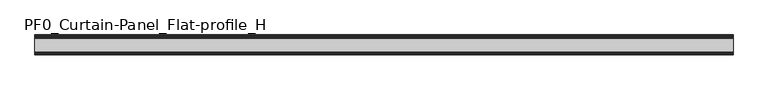
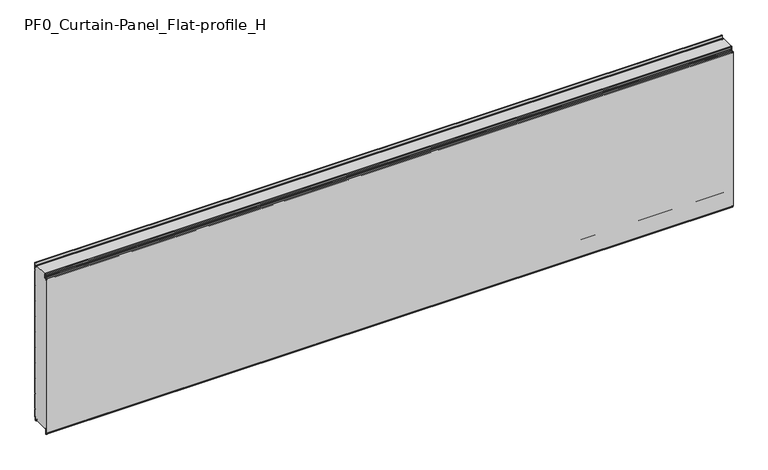
"""IFC4 building model written with IfcOpenShell, lengths in millimetres: plate geometry, PF0_Curtain-Panel_Flat-profile_H."""

import ifcopenshell
import ifcopenshell.guid

model = None  # the IFC model being written
_history = None  # IfcOwnerHistory: only IFC2X3 demands one
_inside = {}  # id of a spatial element -> (the spatial element, [elements in it])
_under = {}  # id of a project, library or spatial element -> (it, [spatial elements below it])
_declared = {}  # id of a project -> (the project, [libraries it declares])
_typed = {}  # id of a type object -> (the type object, [elements of that type])
_made_of = {}  # id of a material, layer set ... -> (it, [elements and type objects made of it])


def new_model(schema):
    """Start an empty IFC model of exactly this schema.

    Asked for "IFC4X3", IfcOpenShell would pick the latest addendum, in which some entities
    have other attributes; the version numbers below select the first issue.
    IFC2X3 requires an IfcOwnerHistory on every rooted entity: one is made here for all.
    """
    global model, _history
    if schema == "IFC4X3":
        model = ifcopenshell.file(schema_version=(4, 3, 0, 0))
    else:
        model = ifcopenshell.file(schema=schema)
    _inside.clear()
    _under.clear()
    _declared.clear()
    _typed.clear()
    _made_of.clear()
    _history = None
    if model.schema == "IFC2X3":
        org = make("IfcOrganization", Name="unknown")
        user = make(
            "IfcPersonAndOrganization",
            ThePerson=make("IfcPerson", FamilyName="unknown"),
            TheOrganization=org,
        )
        app = make(
            "IfcApplication",
            ApplicationDeveloper=org,
            Version="unknown",
            ApplicationFullName="unknown",
            ApplicationIdentifier="unknown",
        )
        _history = make(
            "IfcOwnerHistory",
            OwningUser=user,
            OwningApplication=app,
            ChangeAction="ADDED",
            CreationDate=0,
        )
    return model


def make(cls, **values):
    """One entity of the class cls with the attributes given. An attribute that is None is left unset."""
    return model.create_entity(
        cls, **{name: value for name, value in values.items() if value is not None}
    )


def rooted(cls, **values):
    """An entity with a GlobalId (a new one), such as an element, a storey or a relation."""
    return make(cls, GlobalId=ifcopenshell.guid.new(), OwnerHistory=_history, **values)


def si_unit(unit_type, name, prefix=None):
    """IfcSIUnit, for example si_unit("LENGTHUNIT", "METRE", prefix="MILLI")."""
    return make("IfcSIUnit", UnitType=unit_type, Prefix=prefix, Name=name)


def assignment(units):
    """IfcUnitAssignment: the units of a project."""
    return None if units is None else make("IfcUnitAssignment", Units=units)


def point(xyz):
    """IfcCartesianPoint."""
    return None if xyz is None else make("IfcCartesianPoint", Coordinates=xyz)


def direction(xyz):
    """IfcDirection."""
    return None if xyz is None else make("IfcDirection", DirectionRatios=xyz)


def frame(location, z_axis=None, x_axis=None):
    """IfcAxis2Placement3D, a coordinate frame: its origin and axes. An axis left out is left unset."""
    return make(
        "IfcAxis2Placement3D",
        Location=point(location),
        Axis=direction(z_axis),
        RefDirection=direction(x_axis),
    )


def frame_2d(location, x_axis=None):
    """IfcAxis2Placement2D, a coordinate frame in the plane: its origin and x axis."""
    return make(
        "IfcAxis2Placement2D", Location=point(location), RefDirection=direction(x_axis)
    )


def origin():
    """The frame at (0, 0, 0) with its axes left unset."""
    return frame((0.0, 0.0, 0.0))


def place(relative_to, where):
    """IfcLocalPlacement: puts the frame where relative to a parent placement (None: the world)."""
    return make(
        "IfcLocalPlacement", PlacementRelTo=relative_to, RelativePlacement=where
    )


def context(
    kind, dimensions, precision=None, world=None, true_north=None, identifier=None
):
    """IfcGeometricRepresentationContext, for example the 3D "Model" context."""
    return make(
        "IfcGeometricRepresentationContext",
        ContextIdentifier=identifier,
        ContextType=kind,
        CoordinateSpaceDimension=dimensions,
        Precision=precision,
        WorldCoordinateSystem=world,
        TrueNorth=true_north,
    )


def project(units=None, contexts=None):
    """IfcProject with its units and contexts."""
    return rooted(
        "IfcProject",
        Name="project",
        RepresentationContexts=contexts,
        UnitsInContext=assignment(units),
    )


def spatial(cls, under=None, at=None, **own):
    """A site, building, storey or space (cls), placed at a placement, below another one or the project."""
    s = rooted(cls, ObjectPlacement=at, **own)
    if under is not None:
        _under.setdefault(under.id(), (under, []))[1].append(s)
    return s


def polyline(points):
    """IfcPolyline through the points."""
    return make("IfcPolyline", Points=[point(p) for p in points])


def circle_curve(where, radius):
    """IfcCircle in the frame where."""
    return make("IfcCircle", Position=where, Radius=radius)


def trimmed(basis, trim1, trim2, sense, master):
    """IfcTrimmedCurve: the piece of a basis curve between two trims."""
    return make(
        "IfcTrimmedCurve",
        BasisCurve=basis,
        Trim1=trim1,
        Trim2=trim2,
        SenseAgreement=sense,
        MasterRepresentation=master,
    )


def segment(curve, same_sense, transition):
    """IfcCompositeCurveSegment."""
    return make(
        "IfcCompositeCurveSegment",
        Transition=transition,
        SameSense=same_sense,
        ParentCurve=curve,
    )


def composite_curve(segments, self_intersect=None):
    """IfcCompositeCurve: segments joined end to end."""
    return make("IfcCompositeCurve", Segments=segments, SelfIntersect=self_intersect)


def outline(outer, holes=None, kind="AREA"):
    """IfcArbitraryClosedProfileDef: a profile drawn as a closed curve; with holes, ...WithVoids."""
    if holes is None:
        return make("IfcArbitraryClosedProfileDef", ProfileType=kind, OuterCurve=outer)
    return make(
        "IfcArbitraryProfileDefWithVoids",
        ProfileType=kind,
        OuterCurve=outer,
        InnerCurves=holes,
    )


def extrude(swept, where, along, depth):
    """IfcExtrudedAreaSolid: the profile swept, set in the frame where, extruded along a direction by depth."""
    return make(
        "IfcExtrudedAreaSolid",
        SweptArea=swept,
        Position=where,
        ExtrudedDirection=direction(along),
        Depth=depth,
    )


def shape(context_of_items, identifier, shape_type, items):
    """IfcShapeRepresentation: the items that make up one representation, for example the "Body"."""
    return make(
        "IfcShapeRepresentation",
        ContextOfItems=context_of_items,
        RepresentationIdentifier=identifier,
        RepresentationType=shape_type,
        Items=items,
    )


def source(mapping_origin, context_of_items, identifier, shape_type, items):
    """IfcRepresentationMap: a shape defined once, which mapped items show again and again."""
    return make(
        "IfcRepresentationMap",
        MappingOrigin=mapping_origin,
        MappedRepresentation=shape(context_of_items, identifier, shape_type, items),
    )


def transform(
    local_origin,
    x_axis=None,
    y_axis=None,
    z_axis=None,
    scale=None,
    scale2=None,
    scale3=None,
    uniform=True,
):
    """IfcCartesianTransformationOperator3D, or its non-uniform kind. x_axis, y_axis, z_axis: its Axis1, 2, 3."""
    if uniform:
        return make(
            "IfcCartesianTransformationOperator3D",
            Axis1=direction(x_axis),
            Axis2=direction(y_axis),
            LocalOrigin=point(local_origin),
            Scale=scale,
            Axis3=direction(z_axis),
        )
    return make(
        "IfcCartesianTransformationOperator3DnonUniform",
        Axis1=direction(x_axis),
        Axis2=direction(y_axis),
        LocalOrigin=point(local_origin),
        Scale=scale,
        Axis3=direction(z_axis),
        Scale2=scale2,
        Scale3=scale3,
    )


def mapped(mapping_source, mapping_target):
    """IfcMappedItem: shows the shape of a source again, moved by a transform."""
    return make(
        "IfcMappedItem", MappingSource=mapping_source, MappingTarget=mapping_target
    )


def made_of(thing, what):
    """Note that an element or type object is made of a material, layer set ...; save() writes the relation."""
    if what is not None:
        _made_of.setdefault(what.id(), (what, []))[1].append(thing)
    return thing


def element(
    cls,
    number,
    at=None,
    inside=None,
    cuts=None,
    type_object=None,
    material=None,
    context=None,
    identifier="Body",
    shape_type=None,
    held_by="IfcProductDefinitionShape",
    body=None,
    shapes=None,
    **own,
):
    """One element of the class cls, such as IfcWall. Its Tag is "e" and its number.

    at: its placement. inside: the storey or other place that contains it. cuts: it is an
    opening in that element (IfcRelVoidsElement). A single representation is given by context,
    identifier, shape_type and body (its items); several are given by shapes. held_by: the class
    of the entity that holds the representations. save() writes the other relations.
    """
    e = rooted(cls, Tag="e%d" % number, ObjectPlacement=at, **own)
    if body is not None:
        shapes = [shape(context, identifier, shape_type, body)]
    if shapes is not None:
        e.Representation = make(held_by, Representations=shapes)
    if inside is not None:
        _inside.setdefault(inside.id(), (inside, []))[1].append(e)
    if cuts is not None:
        rooted(
            "IfcRelVoidsElement", RelatingBuildingElement=cuts, RelatedOpeningElement=e
        )
    if type_object is not None:
        _typed.setdefault(type_object.id(), (type_object, []))[1].append(e)
    return made_of(e, material)


def aggregate(whole, parts):
    """IfcRelAggregates: a whole, such as a stair, and the parts it consists of."""
    return rooted("IfcRelAggregates", RelatingObject=whole, RelatedObjects=parts)


def save(model, path):
    """Write the relations noted so far, then the file.

    IfcRelAggregates (storeys below a building ...), IfcRelContainedInSpatialStructure (elements
    in a storey), IfcRelDefinesByType, IfcRelAssociatesMaterial and IfcRelDeclares: one each for
    every whole, place, type object, material and project.
    """
    for whole, parts in _under.values():
        aggregate(whole, parts)
    for where, things in _inside.values():
        rooted(
            "IfcRelContainedInSpatialStructure",
            RelatedElements=things,
            RelatingStructure=where,
        )
    for kind, things in _typed.values():
        rooted("IfcRelDefinesByType", RelatedObjects=things, RelatingType=kind)
    for what, things in _made_of.values():
        rooted("IfcRelAssociatesMaterial", RelatedObjects=things, RelatingMaterial=what)
    for by, libraries in _declared.values():
        rooted("IfcRelDeclares", RelatingContext=by, RelatedDefinitions=libraries)
    model.write(path)


def plane_surface(at):
    """IfcPlane: the flat surface through the origin of the frame at, square to its z axis."""
    return make("IfcPlane", Position=at)


def cylinder_surface(at, radius):
    """IfcCylindricalSurface: all points at the distance radius from the z axis of the frame at."""
    return make("IfcCylindricalSurface", Position=at, Radius=radius)


def revolved_surface(curve, axis_point, axis_direction):
    """IfcSurfaceOfRevolution: the curve turned about the line through axis_point along axis_direction."""
    return make(
        "IfcSurfaceOfRevolution",
        SweptCurve=make("IfcArbitraryOpenProfileDef", ProfileType="CURVE", Curve=curve),
        AxisPosition=make("IfcAxis1Placement", Location=point(axis_point), Axis=direction(axis_direction)),
    )


def advanced_brep(points, edges, surfaces, faces):
    """IfcAdvancedBrep: a solid bounded by faces that lie on surfaces and meet in shared edges.

    An edge is (start, end): straight between two places in points (the first is 0);
    or (start, end, curve); or (start, end, curve, False) where it runs against its curve.
    A face is (place in surfaces, loops), or (place, loops, False) where it looks against
    its surface's normal. A loop lists edges by number (the first is 1), with a minus sign
    where the edge is run from its end to its start. The first loop is the outer one.
    """
    corners = [point(p) for p in points]
    vertices = [make("IfcVertexPoint", VertexGeometry=c) for c in corners]
    made = []
    for start, end, *more in edges:
        made.append(
            make(
                "IfcEdgeCurve",
                EdgeStart=vertices[start],
                EdgeEnd=vertices[end],
                EdgeGeometry=more[0] if more else make("IfcPolyline", Points=[corners[start], corners[end]]),
                SameSense=more[1] if len(more) > 1 else True,
            )
        )
    hull = []
    for where, loops, *sense in faces:
        bounds = []
        for j, loop in enumerate(loops):
            ring = [make("IfcOrientedEdge", EdgeElement=made[abs(k) - 1], Orientation=k > 0) for k in loop]
            bounds.append(
                make(
                    "IfcFaceOuterBound" if j == 0 else "IfcFaceBound",
                    Bound=make("IfcEdgeLoop", EdgeList=ring),
                    Orientation=True,
                )
            )
        hull.append(make("IfcAdvancedFace", Bounds=bounds, FaceSurface=surfaces[where], SameSense=sense[0] if sense else True))
    return make("IfcAdvancedBrep", Outer=make("IfcClosedShell", CfsFaces=hull))


def pf0_curtain_panel_flat_profile_h_4944bc68(model_context):
    return source(origin(), model_context, "Body", "SolidModel", [
        advanced_brep(
        [(-2100.0, -15.878557, 0.0), (-2100.0, -20.0, 0.0), (-2100.0, -20.0, 0.8), (-2100.0, -15.878557, 0.8), (-2100.0, -13.1503208, -1.370137), (-2100.0, -11.728236, -7.529863), (-2100.0, -6.2, -6.9), (-2100.0, -6.2, 8.6), (-2100.0, -3.4, 11.4), (-2100.0, -2.0, 11.4), (-2100.0, -0.8, 12.6), (-2100.0, -0.8, 57.6856412), (-2100.0, -2.482606, 60.6), (-2100.0, -0.8, 63.5143588), (-2100.0, -0.8, 157.6856412), (-2100.0, -2.482606, 160.6), (-2100.0, -0.8, 163.5143588), (-2100.0, -0.8, 257.6856412), (-2100.0, -2.482606, 260.6), (-2100.0, -0.8, 263.5143588), (-2100.0, -0.8, 357.6856412), (-2100.0, -2.482606, 360.6), (-2100.0, -0.8, 363.5143588), (-2100.0, -0.8, 457.6856412), (-2100.0, -2.482606, 460.6), (-2100.0, -0.8, 463.5143588), (-2100.0, -0.8, 557.6856412), (-2100.0, -2.482606, 560.6), (-2100.0, -0.8, 563.5143588), (-2100.0, -0.8, 657.6856412), (-2100.0, -2.482606, 660.6), (-2100.0, -0.8, 663.5143588), (-2100.0, -0.8, 757.6856412), (-2100.0, -2.482606, 760.6), (-2100.0, -0.8, 763.5143588), (-2100.0, -0.8, 857.6856412), (-2100.0, -2.482606, 860.6), (-2100.0, -0.8, 863.5143588), (-2100.0, -0.8, 957.6856412), (-2100.0, -2.482606, 960.6), (-2100.0, -0.8, 963.5143588), (-2100.0, -0.8, 1008.1), (-2100.0, -4.2, 1008.1), (-2100.0, -4.2, 991.1), (-2100.0, -13.7270771, 990.2664884), (-2100.0, -14.8636953, 996.7125669), (-2100.0, -16.6363492, 998.2), (-2100.0, -20.0, 998.2), (-2100.0, -20.0, 999.0), (-2100.0, -16.6363492, 999.0), (-2100.0, -14.0758491, 996.8514855), (-2100.0, -12.939231, 990.405407), (-2100.0, -5.0, 991.1), (-2100.0, -5.0, 1008.1), (-2100.0, -2.5, 1010.6), (-2100.0, 0.0, 1008.1), (-2100.0, 0.0, 963.2999995), (-2100.0, -1.5588455, 960.6), (-2100.0, 0.0, 957.9000005), (-2100.0, 0.0, 863.2999995), (-2100.0, -1.5588455, 860.6), (-2100.0, 0.0, 857.9000005), (-2100.0, 0.0, 763.2999995), (-2100.0, -1.5588455, 760.6), (-2100.0, 0.0, 757.9000005), (-2100.0, 0.0, 663.2999995), (-2100.0, -1.5588455, 660.6), (-2100.0, 0.0, 657.9000005), (-2100.0, 0.0, 563.2999995), (-2100.0, -1.5588455, 560.6), (-2100.0, 0.0, 557.9000005), (-2100.0, 0.0, 463.2999995), (-2100.0, -1.5588455, 460.6), (-2100.0, 0.0, 457.9000005), (-2100.0, 0.0, 363.2999995), (-2100.0, -1.5588455, 360.6), (-2100.0, 0.0, 357.9000005), (-2100.0, 0.0, 263.2999995), (-2100.0, -1.5588455, 260.6), (-2100.0, 0.0, 257.9000005), (-2100.0, 0.0, 163.2999995), (-2100.0, -1.5588455, 160.6), (-2100.0, 0.0, 157.9000005), (-2100.0, 0.0, 63.2999995), (-2100.0, -1.5588455, 60.6), (-2100.0, 0.0, 57.9000005), (-2100.0, 0.0, 12.6), (-2100.0, -2.0, 10.6), (-2100.0, -3.4, 10.6), (-2100.0, -5.4, 8.6), (-2100.0, -5.4, -6.9), (-2100.0, -12.5077322, -7.7098239), (-2100.0, -13.929817, -1.5500979), (2100.0, -15.878557, 0.0), (2100.0, -13.9298169, -1.5500978), (2100.0, -12.507732, -7.7098239), (2100.0, -5.4, -6.9), (2100.0, -5.4, 8.6), (2100.0, -3.4, 10.6), (2100.0, -2.0, 10.6), (2100.0, 0.0, 12.6), (2100.0, 0.0, 57.9000005), (2100.0, -1.5588455, 60.6), (2100.0, 0.0, 63.2999995), (2100.0, 0.0, 157.9000005), (2100.0, -1.5588455, 160.6), (2100.0, 0.0, 163.2999995), (2100.0, 0.0, 257.9000005), (2100.0, -1.5588455, 260.6), (2100.0, 0.0, 263.2999995), (2100.0, 0.0, 357.9000005), (2100.0, -1.5588455, 360.6), (2100.0, 0.0, 363.2999995), (2100.0, 0.0, 457.9000005), (2100.0, -1.5588455, 460.6), (2100.0, 0.0, 463.2999995), (2100.0, 0.0, 557.9000005), (2100.0, -1.5588455, 560.6), (2100.0, 0.0, 563.2999995), (2100.0, 0.0, 657.9000005), (2100.0, -1.5588455, 660.6), (2100.0, 0.0, 663.2999995), (2100.0, 0.0, 757.9000005), (2100.0, -1.5588455, 760.6), (2100.0, 0.0, 763.2999995), (2100.0, 0.0, 857.9000005), (2100.0, -1.5588455, 860.6), (2100.0, 0.0, 863.2999995), (2100.0, 0.0, 957.9000005), (2100.0, -1.5588455, 960.6), (2100.0, 0.0, 963.2999995), (2100.0, 0.0, 1008.1), (2100.0, -2.5, 1010.6), (2100.0, -5.0, 1008.1), (2100.0, -5.0, 991.1), (2100.0, -12.939231, 990.405407), (2100.0, -14.0758491, 996.8514855), (2100.0, -16.6363492, 999.0), (2100.0, -20.0, 999.0), (2100.0, -20.0, 998.2), (2100.0, -16.6363492, 998.2), (2100.0, -14.8636953, 996.7125669), (2100.0, -13.7270772, 990.2664884), (2100.0, -4.2, 991.1), (2100.0, -4.2, 1008.1), (2100.0, -0.8, 1008.1), (2100.0, -0.8, 963.5143588), (2100.0, -2.482606, 960.6), (2100.0, -0.8, 957.6856412), (2100.0, -0.8, 863.5143588), (2100.0, -2.482606, 860.6), (2100.0, -0.8, 857.6856412), (2100.0, -0.8, 763.5143588), (2100.0, -2.482606, 760.6), (2100.0, -0.8, 757.6856412), (2100.0, -0.8, 663.5143588), (2100.0, -2.482606, 660.6), (2100.0, -0.8, 657.6856412), (2100.0, -0.8, 563.5143588), (2100.0, -2.482606, 560.6), (2100.0, -0.8, 557.6856412), (2100.0, -0.8, 463.5143588), (2100.0, -2.482606, 460.6), (2100.0, -0.8, 457.6856412), (2100.0, -0.8, 363.5143588), (2100.0, -2.482606, 360.6), (2100.0, -0.8, 357.6856412), (2100.0, -0.8, 263.5143588), (2100.0, -2.482606, 260.6), (2100.0, -0.8, 257.6856412), (2100.0, -0.8, 163.5143588), (2100.0, -2.482606, 160.6), (2100.0, -0.8, 157.6856412), (2100.0, -0.8, 63.5143588), (2100.0, -2.482606, 60.6), (2100.0, -0.8, 57.6856412), (2100.0, -0.8, 12.6), (2100.0, -2.0, 11.4), (2100.0, -3.4, 11.4), (2100.0, -6.2, 8.6), (2100.0, -6.2, -6.9), (2100.0, -11.7282362, -7.529863), (2100.0, -13.150321, -1.370137), (2100.0, -15.878557, 0.8), (2100.0, -20.0, 0.8), (2100.0, -20.0, 0.0)],
        [
            (0, 1),
            (1, 2),
            (2, 3),
            (3, 4, circle_curve(frame((-2100.0, -15.878557, -2.0), z_axis=(-1.0, 0.0, 0.0), x_axis=(0.0, 0.0, 1.0)), 2.8)),
            (4, 5),
            (5, 6, circle_curve(frame((-2100.0, -9.0, -6.9), z_axis=(1.0, 0.0, 0.0), x_axis=(0.0, 0.0, 1.0)), 2.8)),
            (6, 7),
            (7, 8, circle_curve(frame((-2100.0, -3.4, 8.6), z_axis=(-1.0, 0.0, 0.0), x_axis=(0.0, 0.0, 1.0)), 2.8)),
            (8, 9),
            (9, 10, circle_curve(frame((-2100.0, -2.0, 12.6), z_axis=(1.0, 0.0, 0.0), x_axis=(0.0, 0.0, 1.0)), 1.2)),
            (10, 11),
            (11, 12),
            (12, 13),
            (13, 14),
            (14, 15),
            (15, 16),
            (16, 17),
            (17, 18),
            (18, 19),
            (19, 20),
            (20, 21),
            (21, 22),
            (22, 23),
            (23, 24),
            (24, 25),
            (25, 26),
            (26, 27),
            (27, 28),
            (28, 29),
            (29, 30),
            (30, 31),
            (31, 32),
            (32, 33),
            (33, 34),
            (34, 35),
            (35, 36),
            (36, 37),
            (37, 38),
            (38, 39),
            (39, 40),
            (40, 41),
            (41, 42, circle_curve(frame((-2100.0, -2.5, 1008.1), z_axis=(1.0, 0.0, 0.0), x_axis=(0.0, 0.0, 1.0)), 1.7)),
            (42, 43),
            (43, 44, circle_curve(frame((-2100.0, -9.0, 991.1), z_axis=(-1.0, 0.0, 0.0), x_axis=(0.0, 0.0, 1.0)), 4.8)),
            (44, 45),
            (45, 46, circle_curve(frame((-2100.0, -16.6363492, 996.4), z_axis=(1.0, 0.0, 0.0), x_axis=(0.0, 0.0, 1.0)), 1.8)),
            (46, 47),
            (47, 48),
            (48, 49),
            (49, 50, circle_curve(frame((-2100.0, -16.6363492, 996.4), z_axis=(-1.0, 0.0, 0.0), x_axis=(0.0, 0.0, 1.0)), 2.6)),
            (50, 51),
            (51, 52, circle_curve(frame((-2100.0, -9.0, 991.1), z_axis=(1.0, 0.0, 0.0), x_axis=(0.0, 0.0, 1.0)), 4.0)),
            (52, 53),
            (53, 54, circle_curve(frame((-2100.0, -2.5, 1008.1), z_axis=(-1.0, 0.0, 0.0), x_axis=(0.0, 0.0, 1.0)), 2.5)),
            (54, 55, circle_curve(frame((-2100.0, -2.5, 1008.1), z_axis=(-1.0, 0.0, 0.0), x_axis=(0.0, 0.0, 1.0)), 2.5)),
            (55, 56),
            (56, 57),
            (57, 58),
            (58, 59),
            (59, 60),
            (60, 61),
            (61, 62),
            (62, 63),
            (63, 64),
            (64, 65),
            (65, 66),
            (66, 67),
            (67, 68),
            (68, 69),
            (69, 70),
            (70, 71),
            (71, 72),
            (72, 73),
            (73, 74),
            (74, 75),
            (75, 76),
            (76, 77),
            (77, 78),
            (78, 79),
            (79, 80),
            (80, 81),
            (81, 82),
            (82, 83),
            (83, 84),
            (84, 85),
            (85, 86),
            (86, 87, circle_curve(frame((-2100.0, -2.0, 12.6), z_axis=(-1.0, 0.0, 0.0), x_axis=(0.0, 0.0, 1.0)), 2.0)),
            (87, 88),
            (88, 89, circle_curve(frame((-2100.0, -3.4, 8.6), z_axis=(1.0, 0.0, 0.0), x_axis=(0.0, 0.0, 1.0)), 2.0)),
            (89, 90),
            (90, 91, circle_curve(frame((-2100.0, -9.0, -6.9), z_axis=(-1.0, 0.0, 0.0), x_axis=(0.0, 0.0, 1.0)), 3.6)),
            (91, 92),
            (92, 0, circle_curve(frame((-2100.0, -15.878557, -2.0), z_axis=(1.0, 0.0, 0.0), x_axis=(0.0, 0.0, 1.0)), 2.0)),
            (93, 94, circle_curve(frame((2100.0, -15.878557, -2.0), z_axis=(-1.0, 0.0, 0.0), x_axis=(0.0, 0.0, 1.0)), 2.0)),
            (94, 95),
            (95, 96, circle_curve(frame((2100.0, -9.0, -6.9), z_axis=(1.0, 0.0, 0.0), x_axis=(0.0, 0.0, 1.0)), 3.6)),
            (96, 97),
            (97, 98, circle_curve(frame((2100.0, -3.4, 8.6), z_axis=(-1.0, 0.0, 0.0), x_axis=(0.0, 0.0, 1.0)), 2.0)),
            (98, 99),
            (99, 100, circle_curve(frame((2100.0, -2.0, 12.6), z_axis=(1.0, 0.0, 0.0), x_axis=(0.0, 0.0, 1.0)), 2.0)),
            (100, 101),
            (101, 102),
            (102, 103),
            (103, 104),
            (104, 105),
            (105, 106),
            (106, 107),
            (107, 108),
            (108, 109),
            (109, 110),
            (110, 111),
            (111, 112),
            (112, 113),
            (113, 114),
            (114, 115),
            (115, 116),
            (116, 117),
            (117, 118),
            (118, 119),
            (119, 120),
            (120, 121),
            (121, 122),
            (122, 123),
            (123, 124),
            (124, 125),
            (125, 126),
            (126, 127),
            (127, 128),
            (128, 129),
            (129, 130),
            (130, 131),
            (131, 132, circle_curve(frame((2100.0, -2.5, 1008.1), z_axis=(1.0, 0.0, 0.0), x_axis=(0.0, 0.0, 1.0)), 2.5)),
            (132, 133, circle_curve(frame((2100.0, -2.5, 1008.1), z_axis=(1.0, 0.0, 0.0), x_axis=(0.0, 0.0, 1.0)), 2.5)),
            (133, 134),
            (134, 135, circle_curve(frame((2100.0, -9.0, 991.1), z_axis=(-1.0, 0.0, 0.0), x_axis=(0.0, 0.0, 1.0)), 4.0)),
            (135, 136),
            (136, 137, circle_curve(frame((2100.0, -16.6363492, 996.4), z_axis=(1.0, 0.0, 0.0), x_axis=(0.0, 0.0, 1.0)), 2.6)),
            (137, 138),
            (138, 139),
            (139, 140),
            (140, 141, circle_curve(frame((2100.0, -16.6363492, 996.4), z_axis=(-1.0, 0.0, 0.0), x_axis=(0.0, 0.0, 1.0)), 1.8)),
            (141, 142),
            (142, 143, circle_curve(frame((2100.0, -9.0, 991.1), z_axis=(1.0, 0.0, 0.0), x_axis=(0.0, 0.0, 1.0)), 4.8)),
            (143, 144),
            (144, 145, circle_curve(frame((2100.0, -2.5, 1008.1), z_axis=(-1.0, 0.0, 0.0), x_axis=(0.0, 0.0, 1.0)), 1.7)),
            (145, 146),
            (146, 147),
            (147, 148),
            (148, 149),
            (149, 150),
            (150, 151),
            (151, 152),
            (152, 153),
            (153, 154),
            (154, 155),
            (155, 156),
            (156, 157),
            (157, 158),
            (158, 159),
            (159, 160),
            (160, 161),
            (161, 162),
            (162, 163),
            (163, 164),
            (164, 165),
            (165, 166),
            (166, 167),
            (167, 168),
            (168, 169),
            (169, 170),
            (170, 171),
            (171, 172),
            (172, 173),
            (173, 174),
            (174, 175),
            (175, 176),
            (176, 177, circle_curve(frame((2100.0, -2.0, 12.6), z_axis=(-1.0, 0.0, 0.0), x_axis=(0.0, 0.0, 1.0)), 1.2)),
            (177, 178),
            (178, 179, circle_curve(frame((2100.0, -3.4, 8.6), z_axis=(1.0, 0.0, 0.0), x_axis=(0.0, 0.0, 1.0)), 2.8)),
            (179, 180),
            (180, 181, circle_curve(frame((2100.0, -9.0, -6.9), z_axis=(-1.0, 0.0, 0.0), x_axis=(0.0, 0.0, 1.0)), 2.8)),
            (181, 182),
            (182, 183, circle_curve(frame((2100.0, -15.878557, -2.0), z_axis=(1.0, 0.0, 0.0), x_axis=(0.0, 0.0, 1.0)), 2.8)),
            (183, 184),
            (184, 185),
            (185, 93),
            (0, 93),
            (185, 1),
            (184, 2),
            (183, 3),
            (182, 4),
            (181, 5),
            (180, 6),
            (179, 7),
            (178, 8),
            (177, 9),
            (176, 10),
            (175, 11),
            (174, 12),
            (173, 13),
            (172, 14),
            (171, 15),
            (170, 16),
            (169, 17),
            (168, 18),
            (167, 19),
            (166, 20),
            (165, 21),
            (164, 22),
            (163, 23),
            (162, 24),
            (161, 25),
            (160, 26),
            (159, 27),
            (158, 28),
            (157, 29),
            (156, 30),
            (155, 31),
            (154, 32),
            (153, 33),
            (152, 34),
            (151, 35),
            (150, 36),
            (149, 37),
            (148, 38),
            (147, 39),
            (146, 40),
            (145, 41),
            (144, 42),
            (143, 43),
            (142, 44),
            (141, 45),
            (140, 46),
            (139, 47),
            (138, 48),
            (137, 49),
            (136, 50),
            (135, 51),
            (134, 52),
            (133, 53),
            (131, 55),
            (130, 56),
            (129, 57),
            (128, 58),
            (127, 59),
            (126, 60),
            (125, 61),
            (124, 62),
            (123, 63),
            (122, 64),
            (121, 65),
            (120, 66),
            (119, 67),
            (118, 68),
            (117, 69),
            (116, 70),
            (115, 71),
            (114, 72),
            (113, 73),
            (112, 74),
            (111, 75),
            (110, 76),
            (109, 77),
            (108, 78),
            (107, 79),
            (106, 80),
            (105, 81),
            (104, 82),
            (103, 83),
            (102, 84),
            (101, 85),
            (100, 86),
            (99, 87),
            (98, 88),
            (97, 89),
            (96, 90),
            (95, 91),
            (94, 92),
        ],
        [
            plane_surface(frame((-2100.0, 0.0, 0.0), z_axis=(-1.0, 0.0, 0.0), x_axis=(0.0, 1.0, 0.0))),
            plane_surface(frame((2100.0, 0.0, 0.0), z_axis=(1.0, 0.0, 0.0), x_axis=(0.0, 1.0, 0.0))),
            plane_surface(frame((-2100.0, -15.878557, 0.0), z_axis=(0.0, 0.0, -1.0), x_axis=(1.0, 0.0, 0.0))),
            plane_surface(frame((-2100.0, -20.0, 0.0), z_axis=(0.0, -1.0, 0.0), x_axis=(1.0, 0.0, 0.0))),
            plane_surface(frame((-2100.0, -20.0, 0.8), z_axis=(0.0, 0.0, 1.0), x_axis=(1.0, 0.0, 0.0))),
            cylinder_surface(frame((-2100.0, -15.878557, -2.0), z_axis=(-1.0, 0.0, 0.0), x_axis=(0.0, 0.0, 1.0)), 2.8),
            plane_surface(frame((-2100.0, -13.150321, -1.370137), z_axis=(0.0, 0.9743700578318181, 0.22495108446242168), x_axis=(1.0, 0.0, 0.0))),
            revolved_surface(polyline([(2100.0, -9.0, -4.1000000000000005), (-2100.0, -9.0, -4.1000000000000005)]), (-2100.0, -9.0, -6.9), (1.0, 0.0, 0.0)),
            plane_surface(frame((-2100.0, -6.2, -6.9), z_axis=(0.0, -1.0, 0.0), x_axis=(1.0, 0.0, 0.0))),
            cylinder_surface(frame((-2100.0, -3.4, 8.6), z_axis=(-1.0, 0.0, 0.0), x_axis=(0.0, 0.0, 1.0)), 2.8),
            plane_surface(frame((-2100.0, -3.4, 11.4), z_axis=(0.0, 0.0, 1.0), x_axis=(1.0, 0.0, 0.0))),
            revolved_surface(polyline([(2100.0, -2.0, 13.799999999999999), (-2100.0, -2.0, 13.799999999999999)]), (-2100.0, -2.0, 12.6), (1.0, 0.0, 0.0)),
            plane_surface(frame((-2100.0, -0.8, 12.6), z_axis=(0.0, -1.0, 0.0), x_axis=(1.0, 0.0, 0.0))),
            plane_surface(frame((-2100.0, -0.8, 57.6856412), z_axis=(0.0, -0.8660253865035757, -0.5000000299313314), x_axis=(1.0, 0.0, 0.0))),
            plane_surface(frame((-2100.0, -2.482606, 60.6), z_axis=(0.0, -0.8660253865035789, 0.5000000299313261), x_axis=(1.0, 0.0, 0.0))),
            plane_surface(frame((-2100.0, -0.8, 63.5143588), z_axis=(0.0, -1.0, 0.0), x_axis=(1.0, 0.0, 0.0))),
            plane_surface(frame((-2100.0, -0.8, 157.6856412), z_axis=(0.0, -0.8660253865035755, -0.5000000299313319), x_axis=(1.0, 0.0, 0.0))),
            plane_surface(frame((-2100.0, -2.482606, 160.6), z_axis=(0.0, -0.8660253865035777, 0.5000000299313279), x_axis=(1.0, 0.0, 0.0))),
            plane_surface(frame((-2100.0, -0.8, 163.5143588), z_axis=(0.0, -1.0, 0.0), x_axis=(1.0, 0.0, 0.0))),
            plane_surface(frame((-2100.0, -0.8, 257.6856412), z_axis=(0.0, -0.8660253865035755, -0.5000000299313319), x_axis=(1.0, 0.0, 0.0))),
            plane_surface(frame((-2100.0, -2.482606, 260.6), z_axis=(0.0, -0.8660253865035777, 0.5000000299313279), x_axis=(1.0, 0.0, 0.0))),
            plane_surface(frame((-2100.0, -0.8, 263.5143588), z_axis=(0.0, -1.0, 0.0), x_axis=(1.0, 0.0, 0.0))),
            plane_surface(frame((-2100.0, -0.8, 357.6856412), z_axis=(0.0, -0.8660253865035754, -0.500000029931332), x_axis=(1.0, 0.0, 0.0))),
            plane_surface(frame((-2100.0, -2.482606, 360.6), z_axis=(0.0, -0.8660253865035789, 0.5000000299313261), x_axis=(1.0, 0.0, 0.0))),
            plane_surface(frame((-2100.0, -0.8, 363.5143588), z_axis=(0.0, -1.0, 0.0), x_axis=(1.0, 0.0, 0.0))),
            plane_surface(frame((-2100.0, -0.8, 457.6856412), z_axis=(0.0, -0.8660253865035755, -0.5000000299313319), x_axis=(1.0, 0.0, 0.0))),
            plane_surface(frame((-2100.0, -2.482606, 460.6), z_axis=(0.0, -0.8660253865035785, 0.5000000299313266), x_axis=(1.0, 0.0, 0.0))),
            plane_surface(frame((-2100.0, -0.8, 463.5143588), z_axis=(0.0, -1.0, 0.0), x_axis=(1.0, 0.0, 0.0))),
            plane_surface(frame((-2100.0, -0.8, 557.6856412), z_axis=(0.0, -0.8660253865035755, -0.500000029931332), x_axis=(1.0, 0.0, 0.0))),
            plane_surface(frame((-2100.0, -2.482606, 560.6), z_axis=(0.0, -0.8660253865035789, 0.500000029931326), x_axis=(1.0, 0.0, 0.0))),
            plane_surface(frame((-2100.0, -0.8, 563.5143588), z_axis=(0.0, -1.0, 0.0), x_axis=(1.0, 0.0, 0.0))),
            plane_surface(frame((-2100.0, -0.8, 657.6856412), z_axis=(0.0, -0.8660253865035755, -0.5000000299313317), x_axis=(1.0, 0.0, 0.0))),
            plane_surface(frame((-2100.0, -2.482606, 660.6), z_axis=(0.0, -0.8660253865035772, 0.5000000299313291), x_axis=(1.0, 0.0, 0.0))),
            plane_surface(frame((-2100.0, -0.8, 663.5143588), z_axis=(0.0, -1.0, 0.0), x_axis=(1.0, 0.0, 0.0))),
            plane_surface(frame((-2100.0, -0.8, 757.6856412), z_axis=(0.0, -0.8660253865035755, -0.5000000299313319), x_axis=(1.0, 0.0, 0.0))),
            plane_surface(frame((-2100.0, -2.482606, 760.6), z_axis=(0.0, -0.8660253865035771, 0.5000000299313291), x_axis=(1.0, 0.0, 0.0))),
            plane_surface(frame((-2100.0, -0.8, 763.5143588), z_axis=(0.0, -1.0, 0.0), x_axis=(1.0, 0.0, 0.0))),
            plane_surface(frame((-2100.0, -0.8, 857.6856412), z_axis=(0.0, -0.8660253865035755, -0.5000000299313319), x_axis=(1.0, 0.0, 0.0))),
            plane_surface(frame((-2100.0, -2.482606, 860.6), z_axis=(0.0, -0.8660253865035775, 0.5000000299313283), x_axis=(1.0, 0.0, 0.0))),
            plane_surface(frame((-2100.0, -0.8, 863.5143588), z_axis=(0.0, -1.0, 0.0), x_axis=(1.0, 0.0, 0.0))),
            plane_surface(frame((-2100.0, -0.8, 957.6856412), z_axis=(0.0, -0.8660253865035755, -0.500000029931332), x_axis=(1.0, 0.0, 0.0))),
            plane_surface(frame((-2100.0, -2.482606, 960.6), z_axis=(0.0, -0.8660253865035771, 0.5000000299313291), x_axis=(1.0, 0.0, 0.0))),
            plane_surface(frame((-2100.0, -0.8, 963.5143588), z_axis=(0.0, -1.0, 0.0), x_axis=(1.0, 0.0, 0.0))),
            revolved_surface(polyline([(2100.0, -2.5, 1009.8000000000001), (-2100.0, -2.5, 1009.8000000000001)]), (-2100.0, -2.5, 1008.1), (1.0, 0.0, 0.0)),
            plane_surface(frame((-2100.0, -4.2, 1008.1), z_axis=(0.0, 1.0, 0.0), x_axis=(1.0, 0.0, 0.0))),
            cylinder_surface(frame((-2100.0, -9.0, 991.1), z_axis=(-1.0, 0.0, 0.0), x_axis=(0.0, 0.0, 1.0)), 4.8),
            plane_surface(frame((-2100.0, -13.7270772, 990.2664884), z_axis=(0.0, -0.9848077391954005, -0.17364825602592165), x_axis=(1.0, 0.0, 0.0))),
            revolved_surface(polyline([(2100.0, -16.6363492, 998.1999999999999), (-2100.0, -16.6363492, 998.1999999999999)]), (-2100.0, -16.6363492, 996.4), (1.0, 0.0, 0.0)),
            plane_surface(frame((-2100.0, -16.6363492, 998.2), z_axis=(0.0, 0.0, -1.0), x_axis=(1.0, 0.0, 0.0))),
            plane_surface(frame((-2100.0, -20.0, 998.2), z_axis=(0.0, -1.0, 0.0), x_axis=(1.0, 0.0, 0.0))),
            plane_surface(frame((-2100.0, -20.0, 999.0), z_axis=(0.0, 0.0, 1.0), x_axis=(1.0, 0.0, 0.0))),
            cylinder_surface(frame((-2100.0, -16.6363492, 996.4), z_axis=(-1.0, 0.0, 0.0), x_axis=(0.0, 0.0, 1.0)), 2.6),
            plane_surface(frame((-2100.0, -14.0758491, 996.8514855), z_axis=(0.0, 0.9848077391954003, 0.1736482560259224), x_axis=(1.0, 0.0, 0.0))),
            revolved_surface(polyline([(2100.0, -9.0, 995.1), (-2100.0, -9.0, 995.1)]), (-2100.0, -9.0, 991.1), (1.0, 0.0, 0.0)),
            plane_surface(frame((-2100.0, -5.0, 991.1), z_axis=(0.0, -1.0, 0.0), x_axis=(1.0, 0.0, 0.0))),
            cylinder_surface(frame((-2100.0, -2.5, 1008.1), z_axis=(-1.0, 0.0, 0.0), x_axis=(0.0, 0.0, 1.0)), 2.5),
            plane_surface(frame((-2100.0, 0.0, 1008.1), z_axis=(0.0, 1.0, 0.0), x_axis=(1.0, 0.0, 0.0))),
            plane_surface(frame((-2100.0, 0.0, 963.2999995), z_axis=(0.0, 0.8660253865035786, -0.5000000299313263), x_axis=(1.0, 0.0, 0.0))),
            plane_surface(frame((-2100.0, -1.5588455, 960.6), z_axis=(0.0, 0.8660253865035755, 0.5000000299313319), x_axis=(1.0, 0.0, 0.0))),
            plane_surface(frame((-2100.0, 0.0, 957.9000005), z_axis=(0.0, 1.0, 0.0), x_axis=(1.0, 0.0, 0.0))),
            plane_surface(frame((-2100.0, 0.0, 863.2999995), z_axis=(0.0, 0.8660253865035786, -0.5000000299313263), x_axis=(1.0, 0.0, 0.0))),
            plane_surface(frame((-2100.0, -1.5588455, 860.6), z_axis=(0.0, 0.8660253865035755, 0.5000000299313319), x_axis=(1.0, 0.0, 0.0))),
            plane_surface(frame((-2100.0, 0.0, 857.9000005), z_axis=(0.0, 1.0, 0.0), x_axis=(1.0, 0.0, 0.0))),
            plane_surface(frame((-2100.0, 0.0, 763.2999995), z_axis=(0.0, 0.8660253865035786, -0.5000000299313263), x_axis=(1.0, 0.0, 0.0))),
            plane_surface(frame((-2100.0, -1.5588455, 760.6), z_axis=(0.0, 0.8660253865035755, 0.5000000299313319), x_axis=(1.0, 0.0, 0.0))),
            plane_surface(frame((-2100.0, 0.0, 757.9000005), z_axis=(0.0, 1.0, 0.0), x_axis=(1.0, 0.0, 0.0))),
            plane_surface(frame((-2100.0, 0.0, 663.2999995), z_axis=(0.0, 0.8660253865035786, -0.5000000299313263), x_axis=(1.0, 0.0, 0.0))),
            plane_surface(frame((-2100.0, -1.5588455, 660.6), z_axis=(0.0, 0.8660253865035755, 0.5000000299313319), x_axis=(1.0, 0.0, 0.0))),
            plane_surface(frame((-2100.0, 0.0, 657.9000005), z_axis=(0.0, 1.0, 0.0), x_axis=(1.0, 0.0, 0.0))),
            plane_surface(frame((-2100.0, 0.0, 563.2999995), z_axis=(0.0, 0.8660253865035786, -0.5000000299313263), x_axis=(1.0, 0.0, 0.0))),
            plane_surface(frame((-2100.0, -1.5588455, 560.6), z_axis=(0.0, 0.8660253865035755, 0.5000000299313319), x_axis=(1.0, 0.0, 0.0))),
            plane_surface(frame((-2100.0, 0.0, 557.9000005), z_axis=(0.0, 1.0, 0.0), x_axis=(1.0, 0.0, 0.0))),
            plane_surface(frame((-2100.0, 0.0, 463.2999995), z_axis=(0.0, 0.8660253865035786, -0.5000000299313263), x_axis=(1.0, 0.0, 0.0))),
            plane_surface(frame((-2100.0, -1.5588455, 460.6), z_axis=(0.0, 0.8660253865035755, 0.5000000299313319), x_axis=(1.0, 0.0, 0.0))),
            plane_surface(frame((-2100.0, 0.0, 457.9000005), z_axis=(0.0, 1.0, 0.0), x_axis=(1.0, 0.0, 0.0))),
            plane_surface(frame((-2100.0, 0.0, 363.2999995), z_axis=(0.0, 0.8660253865035786, -0.5000000299313263), x_axis=(1.0, 0.0, 0.0))),
            plane_surface(frame((-2100.0, -1.5588455, 360.6), z_axis=(0.0, 0.8660253865035755, 0.5000000299313319), x_axis=(1.0, 0.0, 0.0))),
            plane_surface(frame((-2100.0, 0.0, 357.9000005), z_axis=(0.0, 1.0, 0.0), x_axis=(1.0, 0.0, 0.0))),
            plane_surface(frame((-2100.0, 0.0, 263.2999995), z_axis=(0.0, 0.8660253865035786, -0.5000000299313263), x_axis=(1.0, 0.0, 0.0))),
            plane_surface(frame((-2100.0, -1.5588455, 260.6), z_axis=(0.0, 0.8660253865035755, 0.5000000299313319), x_axis=(1.0, 0.0, 0.0))),
            plane_surface(frame((-2100.0, 0.0, 257.9000005), z_axis=(0.0, 1.0, 0.0), x_axis=(1.0, 0.0, 0.0))),
            plane_surface(frame((-2100.0, 0.0, 163.2999995), z_axis=(0.0, 0.8660253865035786, -0.5000000299313263), x_axis=(1.0, 0.0, 0.0))),
            plane_surface(frame((-2100.0, -1.5588455, 160.6), z_axis=(0.0, 0.8660253865035755, 0.5000000299313319), x_axis=(1.0, 0.0, 0.0))),
            plane_surface(frame((-2100.0, 0.0, 157.9000005), z_axis=(0.0, 1.0, 0.0), x_axis=(1.0, 0.0, 0.0))),
            plane_surface(frame((-2100.0, 0.0, 63.2999995), z_axis=(0.0, 0.8660253865035786, -0.5000000299313263), x_axis=(1.0, 0.0, 0.0))),
            plane_surface(frame((-2100.0, -1.5588455, 60.6), z_axis=(0.0, 0.8660253865035755, 0.5000000299313319), x_axis=(1.0, 0.0, 0.0))),
            plane_surface(frame((-2100.0, 0.0, 57.9000005), z_axis=(0.0, 1.0, 0.0), x_axis=(1.0, 0.0, 0.0))),
            cylinder_surface(frame((-2100.0, -2.0, 12.6), z_axis=(-1.0, 0.0, 0.0), x_axis=(0.0, 0.0, 1.0)), 2.0),
            plane_surface(frame((-2100.0, -2.0, 10.6), z_axis=(0.0, 0.0, -1.0), x_axis=(1.0, 0.0, 0.0))),
            revolved_surface(polyline([(2100.0, -3.4, 10.6), (-2100.0, -3.4, 10.6)]), (-2100.0, -3.4, 8.6), (1.0, 0.0, 0.0)),
            plane_surface(frame((-2100.0, -5.4, 8.6), z_axis=(0.0, 1.0, 0.0), x_axis=(1.0, 0.0, 0.0))),
            cylinder_surface(frame((-2100.0, -9.0, -6.9), z_axis=(-1.0, 0.0, 0.0), x_axis=(0.0, 0.0, 1.0)), 3.6),
            plane_surface(frame((-2100.0, -12.507732, -7.7098239), z_axis=(0.0, -0.9743700578318182, -0.22495108446242174), x_axis=(1.0, 0.0, 0.0))),
            revolved_surface(polyline([(2100.0, -15.878557, 0.0), (-2100.0, -15.878557, 0.0)]), (-2100.0, -15.878557, -2.0), (1.0, 0.0, 0.0)),
        ],
        [
            (0, [[1, 2, 3, 4, 5, 6, 7, 8, 9, 10, 11, 12, 13, 14, 15, 16, 17, 18, 19, 20, 21, 22, 23, 24, 25, 26, 27, 28, 29, 30, 31, 32, 33, 34, 35, 36, 37, 38, 39, 40, 41, 42, 43, 44, 45, 46, 47, 48, 49, 50, 51, 52, 53, 54, 55, 56, 57, 58, 59, 60, 61, 62, 63, 64, 65, 66, 67, 68, 69, 70, 71, 72, 73, 74, 75, 76, 77, 78, 79, 80, 81, 82, 83, 84, 85, 86, 87, 88, 89, 90, 91, 92, 93]]),
            (1, [[94, 95, 96, 97, 98, 99, 100, 101, 102, 103, 104, 105, 106, 107, 108, 109, 110, 111, 112, 113, 114, 115, 116, 117, 118, 119, 120, 121, 122, 123, 124, 125, 126, 127, 128, 129, 130, 131, 132, 133, 134, 135, 136, 137, 138, 139, 140, 141, 142, 143, 144, 145, 146, 147, 148, 149, 150, 151, 152, 153, 154, 155, 156, 157, 158, 159, 160, 161, 162, 163, 164, 165, 166, 167, 168, 169, 170, 171, 172, 173, 174, 175, 176, 177, 178, 179, 180, 181, 182, 183, 184, 185, 186]]),
            (2, [[-1, 187, -186, 188]]),
            (3, [[-2, -188, -185, 189]]),
            (4, [[-3, -189, -184, 190]]),
            (5, [[-4, -190, -183, 191]]),
            (6, [[-5, -191, -182, 192]]),
            (7, [[-6, -192, -181, 193]]),
            (8, [[-7, -193, -180, 194]]),
            (9, [[-8, -194, -179, 195]]),
            (10, [[-9, -195, -178, 196]]),
            (11, [[-10, -196, -177, 197]]),
            (12, [[-11, -197, -176, 198]]),
            (13, [[-12, -198, -175, 199]]),
            (14, [[-13, -199, -174, 200]]),
            (15, [[-14, -200, -173, 201]]),
            (16, [[-15, -201, -172, 202]]),
            (17, [[-16, -202, -171, 203]]),
            (18, [[-17, -203, -170, 204]]),
            (19, [[-18, -204, -169, 205]]),
            (20, [[-19, -205, -168, 206]]),
            (21, [[-20, -206, -167, 207]]),
            (22, [[-21, -207, -166, 208]]),
            (23, [[-22, -208, -165, 209]]),
            (24, [[-23, -209, -164, 210]]),
            (25, [[-24, -210, -163, 211]]),
            (26, [[-25, -211, -162, 212]]),
            (27, [[-26, -212, -161, 213]]),
            (28, [[-27, -213, -160, 214]]),
            (29, [[-28, -214, -159, 215]]),
            (30, [[-29, -215, -158, 216]]),
            (31, [[-30, -216, -157, 217]]),
            (32, [[-31, -217, -156, 218]]),
            (33, [[-32, -218, -155, 219]]),
            (34, [[-33, -219, -154, 220]]),
            (35, [[-34, -220, -153, 221]]),
            (36, [[-35, -221, -152, 222]]),
            (37, [[-36, -222, -151, 223]]),
            (38, [[-37, -223, -150, 224]]),
            (39, [[-38, -224, -149, 225]]),
            (40, [[-39, -225, -148, 226]]),
            (41, [[-40, -226, -147, 227]]),
            (42, [[-41, -227, -146, 228]]),
            (43, [[-42, -228, -145, 229]]),
            (44, [[-43, -229, -144, 230]]),
            (45, [[-44, -230, -143, 231]]),
            (46, [[-45, -231, -142, 232]]),
            (47, [[-46, -232, -141, 233]]),
            (48, [[-47, -233, -140, 234]]),
            (49, [[-48, -234, -139, 235]]),
            (50, [[-49, -235, -138, 236]]),
            (51, [[-50, -236, -137, 237]]),
            (52, [[-51, -237, -136, 238]]),
            (53, [[-52, -238, -135, 239]]),
            (54, [[-53, -239, -134, 240]]),
            (55, [[-240, -133, -132, 241, -55, -54]]),
            (56, [[-56, -241, -131, 242]]),
            (57, [[-57, -242, -130, 243]]),
            (58, [[-58, -243, -129, 244]]),
            (59, [[-59, -244, -128, 245]]),
            (60, [[-60, -245, -127, 246]]),
            (61, [[-61, -246, -126, 247]]),
            (62, [[-62, -247, -125, 248]]),
            (63, [[-63, -248, -124, 249]]),
            (64, [[-64, -249, -123, 250]]),
            (65, [[-65, -250, -122, 251]]),
            (66, [[-66, -251, -121, 252]]),
            (67, [[-67, -252, -120, 253]]),
            (68, [[-68, -253, -119, 254]]),
            (69, [[-69, -254, -118, 255]]),
            (70, [[-70, -255, -117, 256]]),
            (71, [[-71, -256, -116, 257]]),
            (72, [[-72, -257, -115, 258]]),
            (73, [[-73, -258, -114, 259]]),
            (74, [[-74, -259, -113, 260]]),
            (75, [[-75, -260, -112, 261]]),
            (76, [[-76, -261, -111, 262]]),
            (77, [[-77, -262, -110, 263]]),
            (78, [[-78, -263, -109, 264]]),
            (79, [[-79, -264, -108, 265]]),
            (80, [[-80, -265, -107, 266]]),
            (81, [[-81, -266, -106, 267]]),
            (82, [[-82, -267, -105, 268]]),
            (83, [[-83, -268, -104, 269]]),
            (84, [[-84, -269, -103, 270]]),
            (85, [[-85, -270, -102, 271]]),
            (86, [[-86, -271, -101, 272]]),
            (87, [[-87, -272, -100, 273]]),
            (88, [[-88, -273, -99, 274]]),
            (89, [[-89, -274, -98, 275]]),
            (90, [[-90, -275, -97, 276]]),
            (91, [[-91, -276, -96, 277]]),
            (92, [[-92, -277, -95, 278]]),
            (93, [[-93, -278, -94, -187]]),
        ],
    ),
        extrude(outline(composite_curve([segment(polyline([(-110.0, 0.8), (-113.5, 0.8)]), True, "CONTINUOUS"), segment(trimmed(circle_curve(frame_2d((-113.5, -2.0)), 2.8), [point((-113.5, 0.8))], [point((-116.3, -2.0))], True, "CARTESIAN"), True, "CONTINUOUS"), segment(polyline([(-116.3, -2.0), (-116.3, -32.8700312)]), True, "CONTINUOUS"), segment(trimmed(circle_curve(frame_2d((-116.6, -32.8700312)), 0.3), [point((-116.3, -32.8700312))], [point((-116.9, -32.8700312))], False, "CARTESIAN"), True, "CONTINUOUS"), segment(polyline([(-116.9, -32.8700312), (-116.9, -26.9)]), True, "CONTINUOUS"), segment(trimmed(circle_curve(frame_2d((-118.6133333, -26.9)), 1.7133333), [point((-116.9, -26.9))], [point((-118.4, -25.2))], True, "CARTESIAN"), True, "CONTINUOUS"), segment(trimmed(circle_curve(frame_2d((-118.4, -24.4)), 0.8), [point((-118.4, -25.2))], [point((-119.2, -24.4))], False, "CARTESIAN"), True, "CONTINUOUS"), segment(polyline([(-119.2, -24.4), (-119.2, 972.8891513)]), True, "CONTINUOUS"), segment(trimmed(circle_curve(frame_2d((-118.9, 972.8891513)), 0.3), [point((-119.2, 972.8891513))], [point((-118.6, 972.8891513))], False, "CARTESIAN"), True, "CONTINUOUS"), segment(polyline([(-118.6, 972.8891513), (-118.6, 967.0)]), True, "CONTINUOUS"), segment(trimmed(circle_curve(frame_2d((-116.4, 967.0)), 2.2), [point((-118.6, 967.0))], [point((-114.2, 967.0))], True, "CARTESIAN"), True, "CONTINUOUS"), segment(polyline([(-114.2, 967.0), (-114.2, 967.8276204)]), True, "CONTINUOUS"), segment(trimmed(circle_curve(frame_2d((-108.8276204, 967.8276204)), 5.3723796), [point((-114.2, 967.8276204))], [point((-108.8276204, 973.2))], False, "CARTESIAN"), True, "CONTINUOUS"), segment(polyline([(-108.8276204, 973.2), (-108.0, 973.2)]), True, "CONTINUOUS"), segment(trimmed(circle_curve(frame_2d((-108.0, 975.0)), 1.8), [point((-108.0, 973.2))], [point((-106.2, 975.0))], True, "CARTESIAN"), True, "CONTINUOUS"), segment(polyline([(-106.2, 975.0), (-106.2, 981.1686302), (-104.3686285, 983.0), (-106.2, 984.8313698), (-106.2, 996.4)]), True, "CONTINUOUS"), segment(trimmed(circle_curve(frame_2d((-104.4, 996.4)), 1.8), [point((-106.2, 996.4))], [point((-104.4, 998.2))], False, "CARTESIAN"), True, "CONTINUOUS"), segment(polyline([(-104.4, 998.2), (-103.0, 998.2), (-103.0, 999.0), (-20.0, 999.0), (-20.0, 998.2), (-16.6363492, 998.2)]), True, "CONTINUOUS"), segment(trimmed(circle_curve(frame_2d((-16.6363492, 996.4)), 1.8), [point((-16.6363492, 998.2))], [point((-14.8636953, 996.7125669))], False, "CARTESIAN"), True, "CONTINUOUS"), segment(polyline([(-14.8636953, 996.7125669), (-13.7270772, 990.2664884)]), True, "CONTINUOUS"), segment(trimmed(circle_curve(frame_2d((-9.0, 991.1)), 4.8), [point((-13.7270772, 990.2664884))], [point((-4.2, 991.1))], True, "CARTESIAN"), True, "CONTINUOUS"), segment(polyline([(-4.2, 991.1), (-4.2, 1008.1)]), True, "CONTINUOUS"), segment(trimmed(circle_curve(frame_2d((-2.5, 1008.1)), 1.7), [point((-4.2, 1008.1))], [point((-0.8, 1008.1))], False, "CARTESIAN"), True, "CONTINUOUS"), segment(polyline([(-0.8, 1008.1), (-0.8, 963.5143588), (-2.482606, 960.6), (-0.8, 957.6856412), (-0.8, 863.5143588), (-2.482606, 860.6), (-0.8, 857.6856412), (-0.8, 763.5143588), (-2.482606, 760.6), (-0.8, 757.6856412), (-0.8, 663.5143588), (-2.482606, 660.6), (-0.8, 657.6856412), (-0.8, 563.5143588), (-2.482606, 560.6), (-0.8, 557.6856412), (-0.8, 463.5143588), (-2.482606, 460.6), (-0.8, 457.6856412), (-0.8, 363.5143588), (-2.482606, 360.6), (-0.8, 357.6856412), (-0.8, 263.5143588), (-2.482606, 260.6), (-0.8, 257.6856412), (-0.8, 163.5143588), (-2.482606, 160.6), (-0.8, 157.6856412), (-0.8, 63.5143588), (-2.482606, 60.6), (-0.8, 57.6856412), (-0.8, 12.6)]), True, "CONTINUOUS"), segment(trimmed(circle_curve(frame_2d((-2.0, 12.6)), 1.2), [point((-0.8, 12.6))], [point((-2.0, 11.4))], False, "CARTESIAN"), True, "CONTINUOUS"), segment(polyline([(-2.0, 11.4), (-3.4, 11.4)]), True, "CONTINUOUS"), segment(trimmed(circle_curve(frame_2d((-3.4, 8.6)), 2.8), [point((-3.4, 11.4))], [point((-6.2, 8.6))], True, "CARTESIAN"), True, "CONTINUOUS"), segment(polyline([(-6.2, 8.6), (-6.2, -6.9)]), True, "CONTINUOUS"), segment(trimmed(circle_curve(frame_2d((-9.0, -6.9)), 2.8), [point((-6.2, -6.9))], [point((-11.7282362, -7.529863))], False, "CARTESIAN"), True, "CONTINUOUS"), segment(polyline([(-11.7282362, -7.529863), (-13.1503208, -1.370137)]), True, "CONTINUOUS"), segment(trimmed(circle_curve(frame_2d((-15.878557, -2.0)), 2.8), [point((-13.1503208, -1.370137))], [point((-15.878557, 0.8))], True, "CARTESIAN"), True, "CONTINUOUS"), segment(polyline([(-15.878557, 0.8), (-20.0, 0.8), (-20.0, 0.0), (-110.0, 0.0), (-110.0, 0.8)]), True, "CONTINUOUS")], self_intersect=False)), frame((-2100.0, 0.0, 0.0), z_axis=(1.0, 0.0, 0.0), x_axis=(0.0, 1.0, 0.0)), (0.0, 0.0, 1.0), 4200.0),
        extrude(outline(composite_curve([segment(polyline([(-110.0, 0.0), (-113.5, 0.0)]), True, "CONTINUOUS"), segment(trimmed(circle_curve(frame_2d((-113.5, -2.0)), 2.0), [point((-113.5, 0.0))], [point((-115.5, -2.0))], True, "CARTESIAN"), True, "CONTINUOUS"), segment(polyline([(-115.5, -2.0), (-115.5, -33.0)]), True, "CONTINUOUS"), segment(trimmed(circle_curve(frame_2d((-116.5, -33.0)), 1.0), [point((-115.5, -33.0))], [point((-117.5, -33.0))], False, "CARTESIAN"), True, "CONTINUOUS"), segment(polyline([(-117.5, -33.0), (-117.5, -26.9)]), True, "CONTINUOUS"), segment(trimmed(circle_curve(frame_2d((-118.4, -26.9)), 0.9), [point((-117.5, -26.9))], [point((-118.4, -26.0))], True, "CARTESIAN"), True, "CONTINUOUS"), segment(trimmed(circle_curve(frame_2d((-118.4, -24.4)), 1.6), [point((-118.4, -26.0))], [point((-120.0, -24.4))], False, "CARTESIAN"), True, "CONTINUOUS"), segment(polyline([(-120.0, -24.4), (-120.0, 973.0)]), True, "CONTINUOUS"), segment(trimmed(circle_curve(frame_2d((-119.0, 973.0)), 1.0), [point((-120.0, 973.0))], [point((-118.0, 973.0))], False, "CARTESIAN"), True, "CONTINUOUS"), segment(polyline([(-118.0, 973.0), (-118.0, 967.0)]), True, "CONTINUOUS"), segment(trimmed(circle_curve(frame_2d((-116.5, 967.0)), 1.5), [point((-118.0, 967.0))], [point((-115.0, 967.0))], True, "CARTESIAN"), True, "CONTINUOUS"), segment(polyline([(-115.0, 967.0), (-115.0, 967.8276204)]), True, "CONTINUOUS"), segment(trimmed(circle_curve(frame_2d((-108.8276204, 967.8276204)), 6.1723796), [point((-115.0, 967.8276204))], [point((-108.8276204, 974.0))], False, "CARTESIAN"), True, "CONTINUOUS"), segment(polyline([(-108.8276204, 974.0), (-108.0, 974.0)]), True, "CONTINUOUS"), segment(trimmed(circle_curve(frame_2d((-108.0, 975.0)), 1.0), [point((-108.0, 974.0))], [point((-107.0, 975.0))], True, "CARTESIAN"), True, "CONTINUOUS"), segment(polyline([(-107.0, 975.0), (-107.0, 981.5000012), (-105.4999999, 983.0), (-107.0, 984.4999988), (-107.0, 996.4)]), True, "CONTINUOUS"), segment(trimmed(circle_curve(frame_2d((-104.4, 996.4)), 2.6), [point((-107.0, 996.4))], [point((-104.4, 999.0))], False, "CARTESIAN"), True, "CONTINUOUS"), segment(polyline([(-104.4, 999.0), (-103.0, 999.0), (-103.0, 998.2), (-104.4, 998.2)]), True, "CONTINUOUS"), segment(trimmed(circle_curve(frame_2d((-104.4, 996.4)), 1.8), [point((-104.4, 998.2))], [point((-106.2, 996.4))], True, "CARTESIAN"), True, "CONTINUOUS"), segment(polyline([(-106.2, 996.4), (-106.2, 984.8313698), (-104.3686285, 983.0), (-106.2, 981.1686302), (-106.2, 975.0)]), True, "CONTINUOUS"), segment(trimmed(circle_curve(frame_2d((-108.0, 975.0)), 1.8), [point((-106.2, 975.0))], [point((-108.0, 973.2))], False, "CARTESIAN"), True, "CONTINUOUS"), segment(polyline([(-108.0, 973.2), (-108.8276204, 973.2)]), True, "CONTINUOUS"), segment(trimmed(circle_curve(frame_2d((-108.8276204, 967.8276204)), 5.3723796), [point((-108.8276204, 973.2))], [point((-114.2, 967.8276204))], True, "CARTESIAN"), True, "CONTINUOUS"), segment(polyline([(-114.2, 967.8276204), (-114.2, 967.0)]), True, "CONTINUOUS"), segment(trimmed(circle_curve(frame_2d((-116.4, 967.0)), 2.2), [point((-114.2, 967.0))], [point((-118.6, 967.0))], False, "CARTESIAN"), True, "CONTINUOUS"), segment(polyline([(-118.6, 967.0), (-118.6, 972.8891513)]), True, "CONTINUOUS"), segment(trimmed(circle_curve(frame_2d((-118.9, 972.8891513)), 0.3), [point((-118.6, 972.8891513))], [point((-119.2, 972.8891513))], True, "CARTESIAN"), True, "CONTINUOUS"), segment(polyline([(-119.2, 972.8891513), (-119.2, -24.4)]), True, "CONTINUOUS"), segment(trimmed(circle_curve(frame_2d((-118.4, -24.4)), 0.8), [point((-119.2, -24.4))], [point((-118.4, -25.2))], True, "CARTESIAN"), True, "CONTINUOUS"), segment(trimmed(circle_curve(frame_2d((-118.6133333, -26.9)), 1.7133333), [point((-118.4, -25.2))], [point((-116.9, -26.9))], False, "CARTESIAN"), True, "CONTINUOUS"), segment(polyline([(-116.9, -26.9), (-116.9, -32.8700312)]), True, "CONTINUOUS"), segment(trimmed(circle_curve(frame_2d((-116.6, -32.8700312)), 0.3), [point((-116.9, -32.8700312))], [point((-116.3, -32.8700312))], True, "CARTESIAN"), True, "CONTINUOUS"), segment(polyline([(-116.3, -32.8700312), (-116.3, -2.0)]), True, "CONTINUOUS"), segment(trimmed(circle_curve(frame_2d((-113.5, -2.0)), 2.8), [point((-116.3, -2.0))], [point((-113.5, 0.8))], False, "CARTESIAN"), True, "CONTINUOUS"), segment(polyline([(-113.5, 0.8), (-110.0, 0.8), (-110.0, 0.0)]), True, "CONTINUOUS")], self_intersect=False)), frame((-2100.0, 0.0, 0.0), z_axis=(1.0, 0.0, 0.0), x_axis=(0.0, 1.0, 0.0)), (0.0, 0.0, 1.0), 4200.0),
    ])


if __name__ == "__main__":
    model = new_model("IFC4")
    model_context = context("Model", 3, world=origin())
    ifc_project = project(units=[si_unit("LENGTHUNIT", "METRE", prefix="MILLI")], contexts=[model_context])
    site = spatial("IfcSite", under=ifc_project)
    building = spatial("IfcBuilding", under=site)
    placement = place(None, origin())
    pf0_curtain_panel_flat_profile_h_shape = pf0_curtain_panel_flat_profile_h_4944bc68(model_context)
    element("IfcPlate", 1, ObjectType="PF0_Curtain-Panel_Flat-profile_H", at=placement, inside=building, context=model_context, shape_type="MappedRepresentation", body=[
        mapped(pf0_curtain_panel_flat_profile_h_shape, transform((0.0, 0.0, 0.0), x_axis=(1.0, 0.0, 0.0), y_axis=(0.0, 1.0, 0.0), z_axis=(0.0, 0.0, 1.0))),
    ])
    save(model, "model.ifc")
